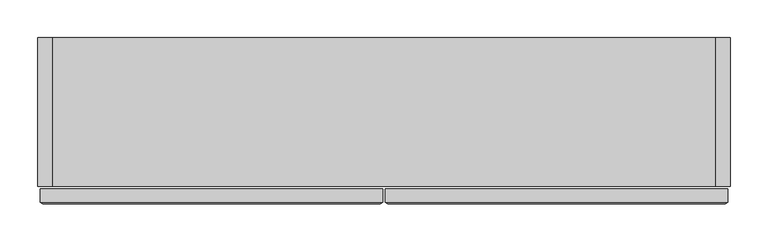
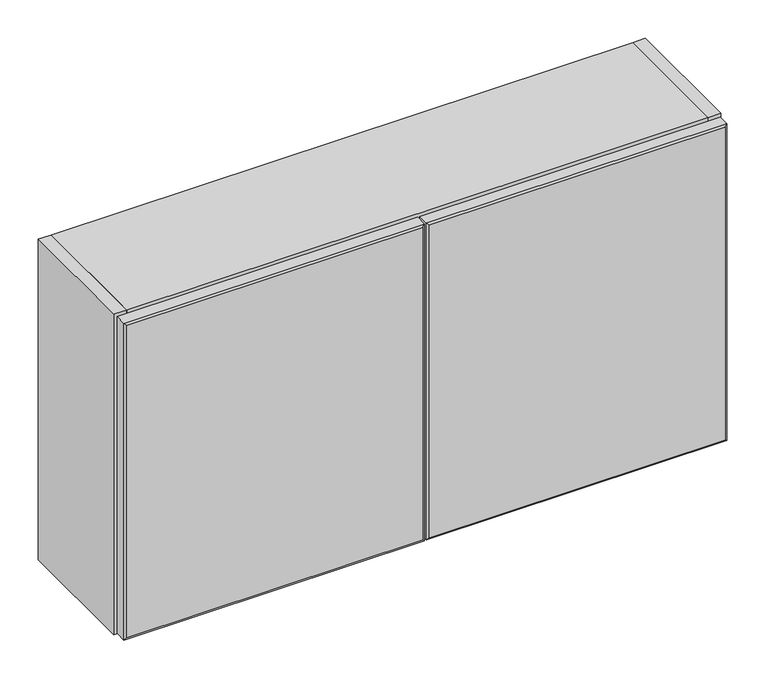
"""IFC4 building model written with IfcOpenShell, lengths in millimetres: furniture geometry."""

import ifcopenshell
import ifcopenshell.guid

model = None  # the IFC model being written
_history = None  # IfcOwnerHistory: only IFC2X3 demands one
_inside = {}  # id of a spatial element -> (the spatial element, [elements in it])
_under = {}  # id of a project, library or spatial element -> (it, [spatial elements below it])
_declared = {}  # id of a project -> (the project, [libraries it declares])
_typed = {}  # id of a type object -> (the type object, [elements of that type])
_made_of = {}  # id of a material, layer set ... -> (it, [elements and type objects made of it])


def new_model(schema):
    """Start an empty IFC model of exactly this schema.

    Asked for "IFC4X3", IfcOpenShell would pick the latest addendum, in which some entities
    have other attributes; the version numbers below select the first issue.
    IFC2X3 requires an IfcOwnerHistory on every rooted entity: one is made here for all.
    """
    global model, _history
    if schema == "IFC4X3":
        model = ifcopenshell.file(schema_version=(4, 3, 0, 0))
    else:
        model = ifcopenshell.file(schema=schema)
    _inside.clear()
    _under.clear()
    _declared.clear()
    _typed.clear()
    _made_of.clear()
    _history = None
    if model.schema == "IFC2X3":
        org = make("IfcOrganization", Name="unknown")
        user = make(
            "IfcPersonAndOrganization",
            ThePerson=make("IfcPerson", FamilyName="unknown"),
            TheOrganization=org,
        )
        app = make(
            "IfcApplication",
            ApplicationDeveloper=org,
            Version="unknown",
            ApplicationFullName="unknown",
            ApplicationIdentifier="unknown",
        )
        _history = make(
            "IfcOwnerHistory",
            OwningUser=user,
            OwningApplication=app,
            ChangeAction="ADDED",
            CreationDate=0,
        )
    return model


def make(cls, **values):
    """One entity of the class cls with the attributes given. An attribute that is None is left unset."""
    return model.create_entity(
        cls, **{name: value for name, value in values.items() if value is not None}
    )


def rooted(cls, **values):
    """An entity with a GlobalId (a new one), such as an element, a storey or a relation."""
    return make(cls, GlobalId=ifcopenshell.guid.new(), OwnerHistory=_history, **values)


def si_unit(unit_type, name, prefix=None):
    """IfcSIUnit, for example si_unit("LENGTHUNIT", "METRE", prefix="MILLI")."""
    return make("IfcSIUnit", UnitType=unit_type, Prefix=prefix, Name=name)


def assignment(units):
    """IfcUnitAssignment: the units of a project."""
    return None if units is None else make("IfcUnitAssignment", Units=units)


def point(xyz):
    """IfcCartesianPoint."""
    return None if xyz is None else make("IfcCartesianPoint", Coordinates=xyz)


def direction(xyz):
    """IfcDirection."""
    return None if xyz is None else make("IfcDirection", DirectionRatios=xyz)


def frame(location, z_axis=None, x_axis=None):
    """IfcAxis2Placement3D, a coordinate frame: its origin and axes. An axis left out is left unset."""
    return make(
        "IfcAxis2Placement3D",
        Location=point(location),
        Axis=direction(z_axis),
        RefDirection=direction(x_axis),
    )


def origin():
    """The frame at (0, 0, 0) with its axes left unset."""
    return frame((0.0, 0.0, 0.0))


def place(relative_to, where):
    """IfcLocalPlacement: puts the frame where relative to a parent placement (None: the world)."""
    return make(
        "IfcLocalPlacement", PlacementRelTo=relative_to, RelativePlacement=where
    )


def context(
    kind, dimensions, precision=None, world=None, true_north=None, identifier=None
):
    """IfcGeometricRepresentationContext, for example the 3D "Model" context."""
    return make(
        "IfcGeometricRepresentationContext",
        ContextIdentifier=identifier,
        ContextType=kind,
        CoordinateSpaceDimension=dimensions,
        Precision=precision,
        WorldCoordinateSystem=world,
        TrueNorth=true_north,
    )


def project(units=None, contexts=None):
    """IfcProject with its units and contexts."""
    return rooted(
        "IfcProject",
        Name="project",
        RepresentationContexts=contexts,
        UnitsInContext=assignment(units),
    )


def spatial(cls, under=None, at=None, **own):
    """A site, building, storey or space (cls), placed at a placement, below another one or the project."""
    s = rooted(cls, ObjectPlacement=at, **own)
    if under is not None:
        _under.setdefault(under.id(), (under, []))[1].append(s)
    return s


def polyline(points):
    """IfcPolyline through the points."""
    return make("IfcPolyline", Points=[point(p) for p in points])


def outline(outer, holes=None, kind="AREA"):
    """IfcArbitraryClosedProfileDef: a profile drawn as a closed curve; with holes, ...WithVoids."""
    if holes is None:
        return make("IfcArbitraryClosedProfileDef", ProfileType=kind, OuterCurve=outer)
    return make(
        "IfcArbitraryProfileDefWithVoids",
        ProfileType=kind,
        OuterCurve=outer,
        InnerCurves=holes,
    )


def extrude(swept, where, along, depth):
    """IfcExtrudedAreaSolid: the profile swept, set in the frame where, extruded along a direction by depth."""
    return make(
        "IfcExtrudedAreaSolid",
        SweptArea=swept,
        Position=where,
        ExtrudedDirection=direction(along),
        Depth=depth,
    )


def faces_of(points, faces, orient=None, outer=None):
    """IfcFace entities. A face is a list of loops; a loop is a list of indices into points, from 0.

    orient and outer hold one flag for each loop. By default every Orientation is true, the
    first loop of a face is its IfcFaceOuterBound and the others are IfcFaceBound.
    """
    made = []
    for i, loops in enumerate(faces):
        bounds = []
        for j, loop in enumerate(loops):
            is_outer = j == 0 if outer is None else outer[i][j]
            bounds.append(
                make(
                    "IfcFaceOuterBound" if is_outer else "IfcFaceBound",
                    Bound=make("IfcPolyLoop", Polygon=[points[k] for k in loop]),
                    Orientation=True if orient is None else orient[i][j],
                )
            )
        made.append(make("IfcFace", Bounds=bounds))
    return made


def faceted_brep(points, faces, orient=None, outer=None, voids=None):
    """IfcFacetedBrep: a solid bounded by flat faces; with voids (closed shells), ...WithVoids."""
    shared = [point(p) for p in points]
    hull = make("IfcClosedShell", CfsFaces=faces_of(shared, faces, orient, outer))
    if voids is None:
        return make("IfcFacetedBrep", Outer=hull)
    return make(
        "IfcFacetedBrepWithVoids",
        Outer=hull,
        Voids=[
            make(cls, CfsFaces=faces_of(shared, fs, o, b)) for cls, fs, o, b in voids
        ],
    )


def shape(context_of_items, identifier, shape_type, items):
    """IfcShapeRepresentation: the items that make up one representation, for example the "Body"."""
    return make(
        "IfcShapeRepresentation",
        ContextOfItems=context_of_items,
        RepresentationIdentifier=identifier,
        RepresentationType=shape_type,
        Items=items,
    )


def source(mapping_origin, context_of_items, identifier, shape_type, items):
    """IfcRepresentationMap: a shape defined once, which mapped items show again and again."""
    return make(
        "IfcRepresentationMap",
        MappingOrigin=mapping_origin,
        MappedRepresentation=shape(context_of_items, identifier, shape_type, items),
    )


def transform(
    local_origin,
    x_axis=None,
    y_axis=None,
    z_axis=None,
    scale=None,
    scale2=None,
    scale3=None,
    uniform=True,
):
    """IfcCartesianTransformationOperator3D, or its non-uniform kind. x_axis, y_axis, z_axis: its Axis1, 2, 3."""
    if uniform:
        return make(
            "IfcCartesianTransformationOperator3D",
            Axis1=direction(x_axis),
            Axis2=direction(y_axis),
            LocalOrigin=point(local_origin),
            Scale=scale,
            Axis3=direction(z_axis),
        )
    return make(
        "IfcCartesianTransformationOperator3DnonUniform",
        Axis1=direction(x_axis),
        Axis2=direction(y_axis),
        LocalOrigin=point(local_origin),
        Scale=scale,
        Axis3=direction(z_axis),
        Scale2=scale2,
        Scale3=scale3,
    )


def mapped(mapping_source, mapping_target):
    """IfcMappedItem: shows the shape of a source again, moved by a transform."""
    return make(
        "IfcMappedItem", MappingSource=mapping_source, MappingTarget=mapping_target
    )


def made_of(thing, what):
    """Note that an element or type object is made of a material, layer set ...; save() writes the relation."""
    if what is not None:
        _made_of.setdefault(what.id(), (what, []))[1].append(thing)
    return thing


def element(
    cls,
    number,
    at=None,
    inside=None,
    cuts=None,
    type_object=None,
    material=None,
    context=None,
    identifier="Body",
    shape_type=None,
    held_by="IfcProductDefinitionShape",
    body=None,
    shapes=None,
    **own,
):
    """One element of the class cls, such as IfcWall. Its Tag is "e" and its number.

    at: its placement. inside: the storey or other place that contains it. cuts: it is an
    opening in that element (IfcRelVoidsElement). A single representation is given by context,
    identifier, shape_type and body (its items); several are given by shapes. held_by: the class
    of the entity that holds the representations. save() writes the other relations.
    """
    e = rooted(cls, Tag="e%d" % number, ObjectPlacement=at, **own)
    if body is not None:
        shapes = [shape(context, identifier, shape_type, body)]
    if shapes is not None:
        e.Representation = make(held_by, Representations=shapes)
    if inside is not None:
        _inside.setdefault(inside.id(), (inside, []))[1].append(e)
    if cuts is not None:
        rooted(
            "IfcRelVoidsElement", RelatingBuildingElement=cuts, RelatedOpeningElement=e
        )
    if type_object is not None:
        _typed.setdefault(type_object.id(), (type_object, []))[1].append(e)
    return made_of(e, material)


def aggregate(whole, parts):
    """IfcRelAggregates: a whole, such as a stair, and the parts it consists of."""
    return rooted("IfcRelAggregates", RelatingObject=whole, RelatedObjects=parts)


def save(model, path):
    """Write the relations noted so far, then the file.

    IfcRelAggregates (storeys below a building ...), IfcRelContainedInSpatialStructure (elements
    in a storey), IfcRelDefinesByType, IfcRelAssociatesMaterial and IfcRelDeclares: one each for
    every whole, place, type object, material and project.
    """
    for whole, parts in _under.values():
        aggregate(whole, parts)
    for where, things in _inside.values():
        rooted(
            "IfcRelContainedInSpatialStructure",
            RelatedElements=things,
            RelatingStructure=where,
        )
    for kind, things in _typed.values():
        rooted("IfcRelDefinesByType", RelatedObjects=things, RelatingType=kind)
    for what, things in _made_of.values():
        rooted("IfcRelAssociatesMaterial", RelatedObjects=things, RelatingMaterial=what)
    for by, libraries in _declared.values():
        rooted("IfcRelDeclares", RelatingContext=by, RelatedDefinitions=libraries)
    model.write(path)


def furniture_d0c221a0(model_context):
    return source(origin(), model_context, "Body", "SolidModel", [
        faceted_brep([(469.5877049, -219.583, 1614.7978562), (469.5877049, -219.583, 2112.9752), (23.5129049, -219.583, 2112.9752), (23.5129049, -219.583, 1614.7978562), (472.7627049, -200.0369063, 2116.1502), (472.7627049, -200.0369063, 1611.6228562), (20.3379049, -200.0369063, 1611.6228562), (20.3379049, -200.0369063, 2116.1502), (20.3379049, -217.7970625, 2116.1502), (472.7627049, -217.7970625, 2116.1502), (20.3379049, -217.7970625, 1611.6228562), (472.7627049, -217.7970625, 1611.6228562)], [[[0, 1, 2, 3]], [[4, 5, 6, 7]], [[4, 7, 8, 9]], [[7, 6, 10, 8]], [[6, 5, 11, 10]], [[5, 4, 9, 11]], [[0, 11, 9, 1]], [[11, 0, 3, 10]], [[10, 3, 2, 8]], [[1, 9, 8, 2]]]),
        extrude(outline(polyline([(456.3916112, -195.2744063), (-418.9162013, -195.2744063), (-418.9162013, -19.5460937), (456.3916112, -19.5460937), (456.3916112, -195.2744063)])), frame((0.0, 0.0, 1629.978325), z_axis=(0.0, 0.0, 1.0), x_axis=(1.0, 0.0, 0.0)), (0.0, 0.0, 1.0), 19.5460937),
        extrude(outline(polyline([(456.3916112, 0.0), (456.3916112, -196.8619063), (-418.9162013, -196.8619063), (-418.9162013, 0.0), (456.3916112, 0.0)])), frame((0.0, 0.0, 2099.7791063), z_axis=(0.0, 0.0, 1.0), x_axis=(1.0, 0.0, 0.0)), (0.0, 0.0, 1.0), 19.5460938),
        extrude(outline(polyline([(-418.9162013, 0.0), (-418.9162013, -196.8619063), (-438.4622951, -196.8619063), (-438.4622951, 0.0), (-418.9162013, 0.0)])), frame((0.0, 0.0, 1608.4478563), z_axis=(0.0, 0.0, 1.0), x_axis=(1.0, 0.0, 0.0)), (0.0, 0.0, 1.0), 510.8773437),
        extrude(outline(polyline([(475.9377049, 0.0), (475.9377049, -196.8619063), (456.3916112, -196.8619063), (456.3916112, 0.0), (475.9377049, 0.0)])), frame((0.0, 0.0, 1608.4478563), z_axis=(0.0, 0.0, 1.0), x_axis=(1.0, 0.0, 0.0)), (0.0, 0.0, 1.0), 510.8773437),
        faceted_brep([(13.9625049, -219.583, 1614.7978562), (13.9625049, -219.583, 2112.9752), (-432.1122951, -219.583, 2112.9752), (-432.1122951, -219.583, 1614.7978562), (17.1375049, -200.0369063, 2116.1502), (17.1375049, -200.0369063, 1611.6228562), (-435.2872951, -200.0369063, 1611.6228562), (-435.2872951, -200.0369063, 2116.1502), (-435.2872951, -217.7970625, 2116.1502), (17.1375049, -217.7970625, 2116.1502), (-435.2872951, -217.7970625, 1611.6228562), (17.1375049, -217.7970625, 1611.6228562)], [[[0, 1, 2, 3]], [[4, 5, 6, 7]], [[4, 7, 8, 9]], [[7, 6, 10, 8]], [[6, 5, 11, 10]], [[5, 4, 9, 11]], [[0, 11, 9, 1]], [[11, 0, 3, 10]], [[10, 3, 2, 8]], [[1, 9, 8, 2]]]),
        faceted_brep([(13.9625049, -219.583, 1614.7978562), (13.9625049, -219.583, 2112.9752), (-432.1122951, -219.583, 2112.9752), (-432.1122951, -219.583, 1614.7978562), (17.1375049, -200.0369063, 2116.1502), (17.1375049, -200.0369063, 1611.6228562), (-435.2872951, -200.0369063, 1611.6228562), (-435.2872951, -200.0369063, 2116.1502), (-435.2872951, -217.7970625, 2116.1502), (17.1375049, -217.7970625, 2116.1502), (-435.2872951, -217.7970625, 1611.6228562), (17.1375049, -217.7970625, 1611.6228562)], [[[0, 1, 2, 3]], [[4, 5, 6, 7]], [[4, 7, 8, 9]], [[7, 6, 10, 8]], [[6, 5, 11, 10]], [[5, 4, 9, 11]], [[0, 11, 9, 1]], [[11, 0, 3, 10]], [[10, 3, 2, 8]], [[1, 9, 8, 2]]]),
        extrude(outline(polyline([(-418.9162013, 0.0), (456.3916112, 0.0), (456.3916112, -19.5460937), (-418.9162013, -19.5460937), (-418.9162013, 0.0)])), frame((0.0, 0.0, 1608.4478563), z_axis=(0.0, 0.0, 1.0), x_axis=(1.0, 0.0, 0.0)), (0.0, 0.0, 1.0), 491.33125),
    ])


if __name__ == "__main__":
    model = new_model("IFC4")
    model_context = context("Model", 3, world=origin())
    ifc_project = project(units=[si_unit("LENGTHUNIT", "METRE", prefix="MILLI")], contexts=[model_context])
    site = spatial("IfcSite", under=ifc_project)
    building = spatial("IfcBuilding", under=site)
    placement = place(None, origin())
    furniture_shape = furniture_d0c221a0(model_context)
    element("IfcFurniture", 1, at=placement, inside=building, context=model_context, shape_type="MappedRepresentation", body=[
        mapped(furniture_shape, transform((0.0, 0.0, 0.0), x_axis=(1.0, 0.0, 0.0), y_axis=(0.0, 1.0, 0.0), z_axis=(0.0, 0.0, 1.0))),
    ])
    save(model, "model.ifc")
